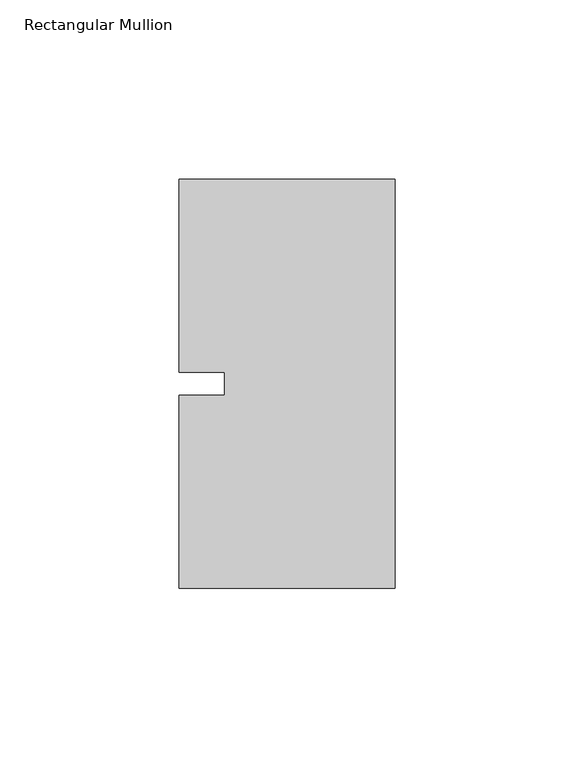
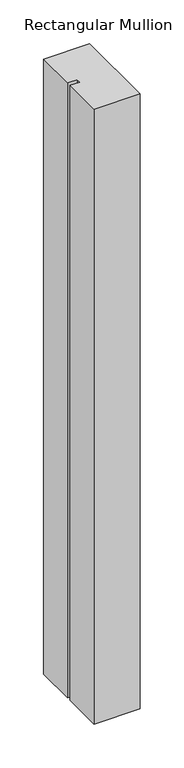
"""IFC4 building model written with IfcOpenShell, lengths in millimetres: member geometry, Rectangular Mullion."""

import ifcopenshell
import ifcopenshell.guid

model = None  # the IFC model being written
_history = None  # IfcOwnerHistory: only IFC2X3 demands one
_inside = {}  # id of a spatial element -> (the spatial element, [elements in it])
_under = {}  # id of a project, library or spatial element -> (it, [spatial elements below it])
_declared = {}  # id of a project -> (the project, [libraries it declares])
_typed = {}  # id of a type object -> (the type object, [elements of that type])
_made_of = {}  # id of a material, layer set ... -> (it, [elements and type objects made of it])


def new_model(schema):
    """Start an empty IFC model of exactly this schema.

    Asked for "IFC4X3", IfcOpenShell would pick the latest addendum, in which some entities
    have other attributes; the version numbers below select the first issue.
    IFC2X3 requires an IfcOwnerHistory on every rooted entity: one is made here for all.
    """
    global model, _history
    if schema == "IFC4X3":
        model = ifcopenshell.file(schema_version=(4, 3, 0, 0))
    else:
        model = ifcopenshell.file(schema=schema)
    _inside.clear()
    _under.clear()
    _declared.clear()
    _typed.clear()
    _made_of.clear()
    _history = None
    if model.schema == "IFC2X3":
        org = make("IfcOrganization", Name="unknown")
        user = make(
            "IfcPersonAndOrganization",
            ThePerson=make("IfcPerson", FamilyName="unknown"),
            TheOrganization=org,
        )
        app = make(
            "IfcApplication",
            ApplicationDeveloper=org,
            Version="unknown",
            ApplicationFullName="unknown",
            ApplicationIdentifier="unknown",
        )
        _history = make(
            "IfcOwnerHistory",
            OwningUser=user,
            OwningApplication=app,
            ChangeAction="ADDED",
            CreationDate=0,
        )
    return model


def make(cls, **values):
    """One entity of the class cls with the attributes given. An attribute that is None is left unset."""
    return model.create_entity(
        cls, **{name: value for name, value in values.items() if value is not None}
    )


def rooted(cls, **values):
    """An entity with a GlobalId (a new one), such as an element, a storey or a relation."""
    return make(cls, GlobalId=ifcopenshell.guid.new(), OwnerHistory=_history, **values)


def si_unit(unit_type, name, prefix=None):
    """IfcSIUnit, for example si_unit("LENGTHUNIT", "METRE", prefix="MILLI")."""
    return make("IfcSIUnit", UnitType=unit_type, Prefix=prefix, Name=name)


def assignment(units):
    """IfcUnitAssignment: the units of a project."""
    return None if units is None else make("IfcUnitAssignment", Units=units)


def point(xyz):
    """IfcCartesianPoint."""
    return None if xyz is None else make("IfcCartesianPoint", Coordinates=xyz)


def direction(xyz):
    """IfcDirection."""
    return None if xyz is None else make("IfcDirection", DirectionRatios=xyz)


def frame(location, z_axis=None, x_axis=None):
    """IfcAxis2Placement3D, a coordinate frame: its origin and axes. An axis left out is left unset."""
    return make(
        "IfcAxis2Placement3D",
        Location=point(location),
        Axis=direction(z_axis),
        RefDirection=direction(x_axis),
    )


def origin():
    """The frame at (0, 0, 0) with its axes left unset."""
    return frame((0.0, 0.0, 0.0))


def place(relative_to, where):
    """IfcLocalPlacement: puts the frame where relative to a parent placement (None: the world)."""
    return make(
        "IfcLocalPlacement", PlacementRelTo=relative_to, RelativePlacement=where
    )


def context(
    kind, dimensions, precision=None, world=None, true_north=None, identifier=None
):
    """IfcGeometricRepresentationContext, for example the 3D "Model" context."""
    return make(
        "IfcGeometricRepresentationContext",
        ContextIdentifier=identifier,
        ContextType=kind,
        CoordinateSpaceDimension=dimensions,
        Precision=precision,
        WorldCoordinateSystem=world,
        TrueNorth=true_north,
    )


def project(units=None, contexts=None):
    """IfcProject with its units and contexts."""
    return rooted(
        "IfcProject",
        Name="project",
        RepresentationContexts=contexts,
        UnitsInContext=assignment(units),
    )


def spatial(cls, under=None, at=None, **own):
    """A site, building, storey or space (cls), placed at a placement, below another one or the project."""
    s = rooted(cls, ObjectPlacement=at, **own)
    if under is not None:
        _under.setdefault(under.id(), (under, []))[1].append(s)
    return s


def polyline(points):
    """IfcPolyline through the points."""
    return make("IfcPolyline", Points=[point(p) for p in points])


def outline(outer, holes=None, kind="AREA"):
    """IfcArbitraryClosedProfileDef: a profile drawn as a closed curve; with holes, ...WithVoids."""
    if holes is None:
        return make("IfcArbitraryClosedProfileDef", ProfileType=kind, OuterCurve=outer)
    return make(
        "IfcArbitraryProfileDefWithVoids",
        ProfileType=kind,
        OuterCurve=outer,
        InnerCurves=holes,
    )


def extrude(swept, where, along, depth):
    """IfcExtrudedAreaSolid: the profile swept, set in the frame where, extruded along a direction by depth."""
    return make(
        "IfcExtrudedAreaSolid",
        SweptArea=swept,
        Position=where,
        ExtrudedDirection=direction(along),
        Depth=depth,
    )


def shape(context_of_items, identifier, shape_type, items):
    """IfcShapeRepresentation: the items that make up one representation, for example the "Body"."""
    return make(
        "IfcShapeRepresentation",
        ContextOfItems=context_of_items,
        RepresentationIdentifier=identifier,
        RepresentationType=shape_type,
        Items=items,
    )


def source(mapping_origin, context_of_items, identifier, shape_type, items):
    """IfcRepresentationMap: a shape defined once, which mapped items show again and again."""
    return make(
        "IfcRepresentationMap",
        MappingOrigin=mapping_origin,
        MappedRepresentation=shape(context_of_items, identifier, shape_type, items),
    )


def transform(
    local_origin,
    x_axis=None,
    y_axis=None,
    z_axis=None,
    scale=None,
    scale2=None,
    scale3=None,
    uniform=True,
):
    """IfcCartesianTransformationOperator3D, or its non-uniform kind. x_axis, y_axis, z_axis: its Axis1, 2, 3."""
    if uniform:
        return make(
            "IfcCartesianTransformationOperator3D",
            Axis1=direction(x_axis),
            Axis2=direction(y_axis),
            LocalOrigin=point(local_origin),
            Scale=scale,
            Axis3=direction(z_axis),
        )
    return make(
        "IfcCartesianTransformationOperator3DnonUniform",
        Axis1=direction(x_axis),
        Axis2=direction(y_axis),
        LocalOrigin=point(local_origin),
        Scale=scale,
        Axis3=direction(z_axis),
        Scale2=scale2,
        Scale3=scale3,
    )


def mapped(mapping_source, mapping_target):
    """IfcMappedItem: shows the shape of a source again, moved by a transform."""
    return make(
        "IfcMappedItem", MappingSource=mapping_source, MappingTarget=mapping_target
    )


def made_of(thing, what):
    """Note that an element or type object is made of a material, layer set ...; save() writes the relation."""
    if what is not None:
        _made_of.setdefault(what.id(), (what, []))[1].append(thing)
    return thing


def element(
    cls,
    number,
    at=None,
    inside=None,
    cuts=None,
    type_object=None,
    material=None,
    context=None,
    identifier="Body",
    shape_type=None,
    held_by="IfcProductDefinitionShape",
    body=None,
    shapes=None,
    **own,
):
    """One element of the class cls, such as IfcWall. Its Tag is "e" and its number.

    at: its placement. inside: the storey or other place that contains it. cuts: it is an
    opening in that element (IfcRelVoidsElement). A single representation is given by context,
    identifier, shape_type and body (its items); several are given by shapes. held_by: the class
    of the entity that holds the representations. save() writes the other relations.
    """
    e = rooted(cls, Tag="e%d" % number, ObjectPlacement=at, **own)
    if body is not None:
        shapes = [shape(context, identifier, shape_type, body)]
    if shapes is not None:
        e.Representation = make(held_by, Representations=shapes)
    if inside is not None:
        _inside.setdefault(inside.id(), (inside, []))[1].append(e)
    if cuts is not None:
        rooted(
            "IfcRelVoidsElement", RelatingBuildingElement=cuts, RelatedOpeningElement=e
        )
    if type_object is not None:
        _typed.setdefault(type_object.id(), (type_object, []))[1].append(e)
    return made_of(e, material)


def aggregate(whole, parts):
    """IfcRelAggregates: a whole, such as a stair, and the parts it consists of."""
    return rooted("IfcRelAggregates", RelatingObject=whole, RelatedObjects=parts)


def save(model, path):
    """Write the relations noted so far, then the file.

    IfcRelAggregates (storeys below a building ...), IfcRelContainedInSpatialStructure (elements
    in a storey), IfcRelDefinesByType, IfcRelAssociatesMaterial and IfcRelDeclares: one each for
    every whole, place, type object, material and project.
    """
    for whole, parts in _under.values():
        aggregate(whole, parts)
    for where, things in _inside.values():
        rooted(
            "IfcRelContainedInSpatialStructure",
            RelatedElements=things,
            RelatingStructure=where,
        )
    for kind, things in _typed.values():
        rooted("IfcRelDefinesByType", RelatedObjects=things, RelatingType=kind)
    for what, things in _made_of.values():
        rooted("IfcRelAssociatesMaterial", RelatedObjects=things, RelatingMaterial=what)
    for by, libraries in _declared.values():
        rooted("IfcRelDeclares", RelatingContext=by, RelatedDefinitions=libraries)
    model.write(path)


def rectangular_mullion_5cb4b38f(model_context):
    return source(origin(), model_context, "Body", "SweptSolid", [
        extrude(outline(polyline([(-60.325, 57.15), (0.0, 57.15), (0.0, -57.15), (-60.325, -57.15), (-60.325, -3.175), (-47.6232296, -3.175), (-47.6232296, 3.175), (-60.325, 3.175), (-60.325, 57.15)])), frame((0.0, 0.0, -854.075), z_axis=(0.0, 0.0, 1.0), x_axis=(1.0, 0.0, 0.0)), (0.0, 0.0, 1.0), 854.075),
    ])


if __name__ == "__main__":
    model = new_model("IFC4")
    model_context = context("Model", 3, world=origin())
    ifc_project = project(units=[si_unit("LENGTHUNIT", "METRE", prefix="MILLI")], contexts=[model_context])
    site = spatial("IfcSite", under=ifc_project)
    building = spatial("IfcBuilding", under=site)
    placement = place(None, origin())
    rectangular_mullion_shape = rectangular_mullion_5cb4b38f(model_context)
    element("IfcMember", 1, ObjectType="Rectangular Mullion", at=placement, inside=building, context=model_context, shape_type="MappedRepresentation", body=[
        mapped(rectangular_mullion_shape, transform((0.0, 0.0, 0.0), x_axis=(1.0, 0.0, 0.0), y_axis=(0.0, 1.0, 0.0), z_axis=(0.0, 0.0, 1.0))),
    ])
    save(model, "model.ifc")
